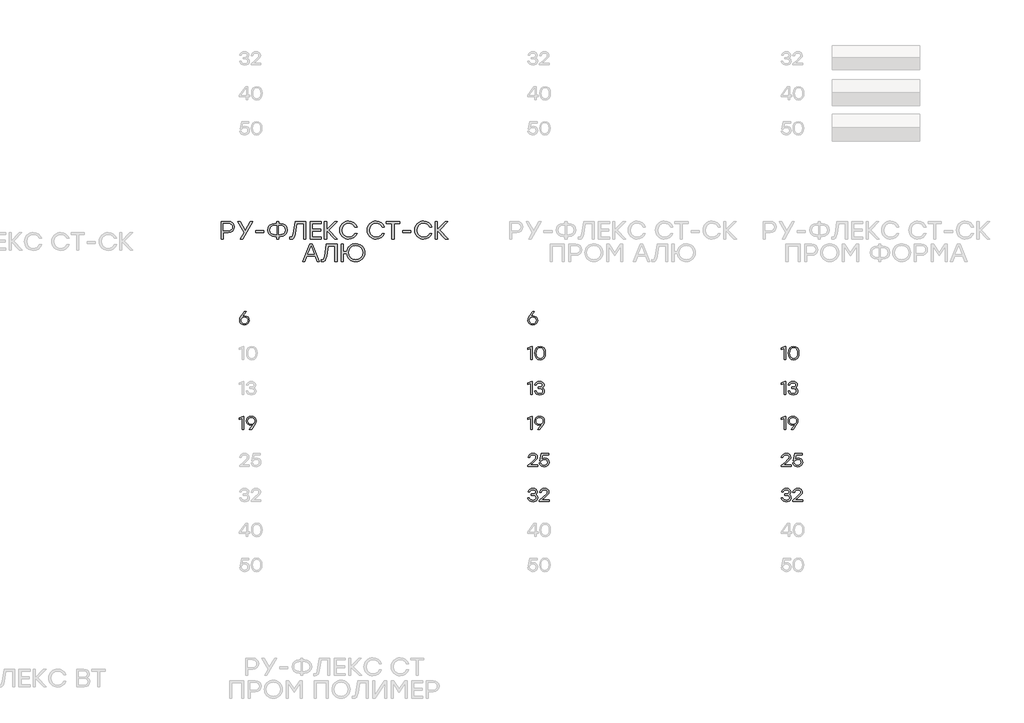
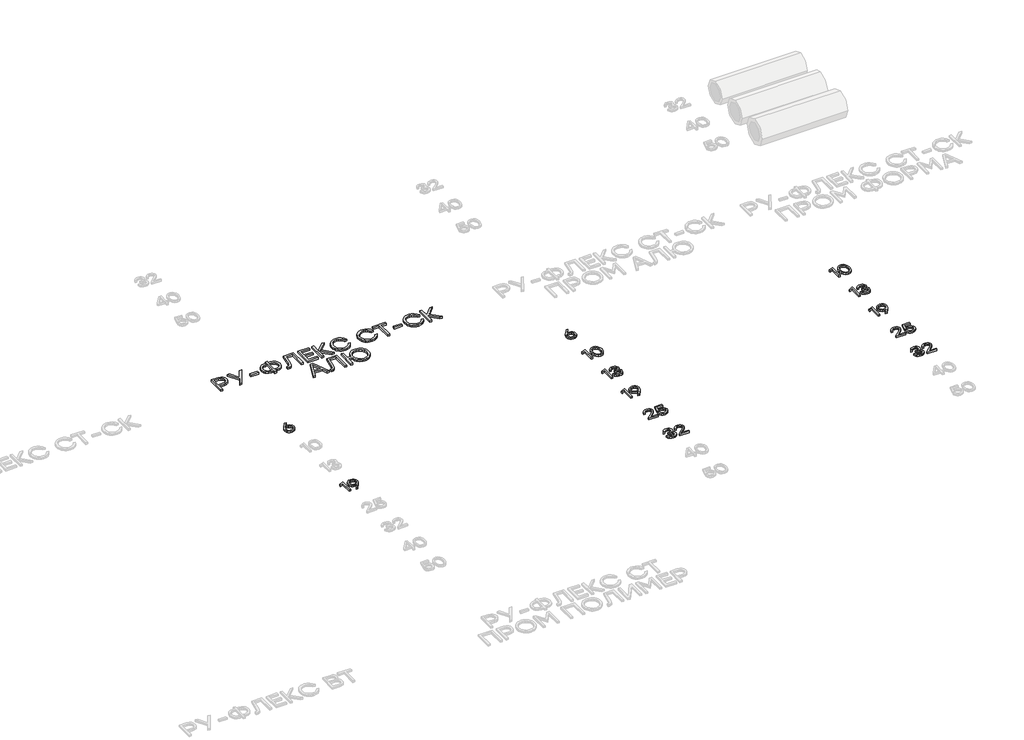
# One storey, part 22 of 41: 14 proxies.
"""IFC4 building model written with IfcOpenShell, lengths in millimetres."""

from ifc_helpers import new_model, si_unit, origin, origin_with_axes, place, context, project, spatial, polyline, outline, extrude, element, save

model = new_model("IFC4")

# Units and contexts
model_context = context("Model", 3, world=origin())
ifc_project = project(units=[si_unit("LENGTHUNIT", "METRE", prefix="MILLI")], contexts=[model_context])

# Site, building, storey
site = spatial("IfcSite", under=ifc_project)
building = spatial("IfcBuilding", under=site)
storey = spatial("IfcBuildingStorey", under=building, Elevation=0.0)

# Proxies
placement = place(None, origin())
element("IfcBuildingElementProxy", 1, Name="Generic Models", at=placement, inside=storey, context=model_context, shape_type="SweptSolid", body=[
    extrude(outline(polyline([(25599.0241406, -33646.0493279), (25618.6906803, -33649.3976823), (25635.2509151, -33659.4427456), (25646.5062271, -33675.2768314), (25650.2579977, -33695.9922531), (25646.2389638, -33717.5094645), (25634.1818622, -33734.5386707), (25616.1239447, -33745.6275734), (25594.102463, -33749.3238744), (25572.2625187, -33745.6578297), (25554.2651136, -33734.6596956), (25542.208012, -33717.4993791), (25538.1889781, -33695.3467872), (25540.8111834, -33677.5006631), (25548.6777992, -33659.5435997), (25590.4717173, -33599.9791981), (25592.8115312, -33596.9939183), (25613.627807, -33596.9939183), (25570.9463733, -33653.9966269), (25584.9449154, -33648.0361526), (25599.0241406, -33646.0493279)]), holes=[polyline([(25594.102463, -33732.4207357), (25609.2103996, -33729.8993845), (25621.5347644, -33722.3353308), (25629.7341987, -33710.7068589), (25632.4673434, -33695.9922531), (25629.7341987, -33681.1767932), (25621.5347644, -33669.7298586), (25609.2608266, -33662.4078547), (25594.3041711, -33659.9671867), (25578.9743556, -33662.4330682), (25566.7911865, -33669.8307127), (25558.833802, -33681.3532878), (25556.1813405, -33696.1939612), (25558.884229, -33711.0346345), (25566.9928946, -33722.5572097), (25579.1760637, -33729.9548542), (25594.102463, -33732.4207357)])]), origin_with_axes(), (0.0, 0.0, 1.0), 20.0),
])
element("IfcBuildingElementProxy", 2, Name="Generic Models", at=placement, inside=storey, context=model_context, shape_type="SweptSolid", body=[
    extrude(outline(polyline([(25580.1846042, -34796.9939183), (25588.3336114, -34796.9939183), (25588.3336114, -34946.9840604), (25570.5429571, -34946.9840604), (25570.5429571, -34817.7698524), (25536.0508722, -34831.6877112), (25536.0508722, -34814.1391067), (25580.1846042, -34796.9939183)])), origin_with_axes(), (0.0, 0.0, 1.0), 20.0),
    extrude(outline(polyline([(25671.760081, -34794.6137627), (25693.6302816, -34798.2596366), (25711.6377721, -34809.1972582), (25723.6948737, -34826.3474893), (25727.7139076, -34848.6311915), (25725.0866596, -34866.4722728), (25717.2049156, -34884.4142082), (25675.4311684, -34943.9987805), (25673.0510128, -34946.9840604), (25652.2750787, -34946.9840604), (25694.9161707, -34889.9813517), (25680.9377995, -34895.9418261), (25666.8384034, -34897.9286508), (25647.1769065, -34894.5802964), (25630.6317997, -34884.5352331), (25619.3916159, -34868.7011473), (25615.644888, -34847.9857256), (25619.6639218, -34826.438258), (25631.7210234, -34809.3989663), (25649.7688555, -34798.3100636), (25671.760081, -34794.6137627)]), holes=[polyline([(25671.5583729, -34883.9704504), (25686.9436581, -34881.5096116), (25699.2125532, -34874.1270952), (25707.2455782, -34862.6196482), (25709.9232533, -34847.7840175), (25707.1901085, -34832.9433442), (25698.9906743, -34821.420769), (25686.7217792, -34814.0231245), (25671.7802518, -34811.557243), (25656.8387244, -34814.0735515), (25644.5698293, -34821.6224771), (25636.3703951, -34833.2459063), (25633.6372504, -34847.9857256), (25636.3401389, -34862.7961427), (25644.4488044, -34874.2279492), (25656.6319736, -34881.5348251), (25671.5583729, -34883.9704504)])]), origin_with_axes(), (0.0, 0.0, 1.0), 20.0),
])
element("IfcBuildingElementProxy", 3, Name="Generic Models", at=placement, inside=storey, context=model_context, shape_type="SweptSolid", body=[
    extrude(outline(polyline([(28899.0241406, -33646.0493279), (28918.6906803, -33649.3976823), (28935.2509151, -33659.4427456), (28946.5062271, -33675.2768314), (28950.2579977, -33695.9922531), (28946.2389638, -33717.5094645), (28934.1818622, -33734.5386707), (28916.1239447, -33745.6275734), (28894.102463, -33749.3238744), (28872.2625187, -33745.6578297), (28854.2651136, -33734.6596956), (28842.208012, -33717.4993791), (28838.1889781, -33695.3467872), (28840.8111834, -33677.5006631), (28848.6777992, -33659.5435997), (28890.4717173, -33599.9791981), (28892.8115312, -33596.9939183), (28913.627807, -33596.9939183), (28870.9463733, -33653.9966269), (28884.9449154, -33648.0361526), (28899.0241406, -33646.0493279)]), holes=[polyline([(28894.102463, -33732.4207357), (28909.2103996, -33729.8993845), (28921.5347644, -33722.3353308), (28929.7341987, -33710.7068589), (28932.4673434, -33695.9922531), (28929.7341987, -33681.1767932), (28921.5347644, -33669.7298586), (28909.2608266, -33662.4078547), (28894.3041711, -33659.9671867), (28878.9743556, -33662.4330682), (28866.7911865, -33669.8307127), (28858.833802, -33681.3532878), (28856.1813405, -33696.1939612), (28858.884229, -33711.0346345), (28866.9928946, -33722.5572097), (28879.1760637, -33729.9548542), (28894.102463, -33732.4207357)])]), origin_with_axes(), (0.0, 0.0, 1.0), 20.0),
])
element("IfcBuildingElementProxy", 4, Name="Generic Models", at=placement, inside=storey, context=model_context, shape_type="SweptSolid", body=[
    extrude(outline(polyline([(28880.1846042, -33996.9939183), (28888.3336114, -33996.9939183), (28888.3336114, -34146.9840604), (28870.5429571, -34146.9840604), (28870.5429571, -34017.7698524), (28836.0508722, -34031.6877112), (28836.0508722, -34014.1391067), (28880.1846042, -33996.9939183)])), origin_with_axes(), (0.0, 0.0, 1.0), 20.0),
    extrude(outline(polyline([(28979.0619142, -33994.6137627), (29004.5679032, -33999.676636), (29023.639404, -34014.8652558), (29035.5300964, -34039.266893), (29039.4936605, -34071.9688185), (29035.5300964, -34104.670744), (29023.639404, -34129.0723813), (29004.5679032, -34144.2610011), (28979.0619142, -34149.3238744), (28953.7072062, -34144.2912573), (28934.6054492, -34129.1934061), (28922.6239882, -34104.8270678), (28918.6301678, -34071.9889893), (28922.6239882, -34039.1458682), (28934.6054492, -34014.7644018), (28953.7072062, -33999.6514225), (28979.0619142, -33994.6137627)]), holes=[polyline([(28947.8778421, -34117.7363861), (28961.3015161, -34128.7496483), (28979.0619142, -34132.4207357), (28996.8223123, -34128.7496483), (29010.2459862, -34117.7363861), (29018.6874701, -34098.9573621), (29021.5012981, -34071.9889893), (29018.6874701, -34045.0206166), (29010.2459862, -34026.2415926), (28996.8223123, -34015.2283304), (28979.0619142, -34011.557243), (28961.3015161, -34015.2283304), (28947.8778421, -34026.2415926), (28939.4363582, -34045.0206166), (28936.6225302, -34071.9889893), (28939.4363582, -34098.9573621), (28947.8778421, -34117.7363861)])]), origin_with_axes(), (0.0, 0.0, 1.0), 20.0),
])
element("IfcBuildingElementProxy", 5, Name="Generic Models", at=placement, inside=storey, context=model_context, shape_type="SweptSolid", body=[
    extrude(outline(polyline([(28880.1846042, -34396.9939183), (28888.3336114, -34396.9939183), (28888.3336114, -34546.9840604), (28870.5429571, -34546.9840604), (28870.5429571, -34417.7698524), (28836.0508722, -34431.6877112), (28836.0508722, -34414.1391067), (28880.1846042, -34396.9939183)])), origin_with_axes(), (0.0, 0.0, 1.0), 20.0),
    extrude(outline(polyline([(29001.3708299, -34467.9144858), (29012.5807575, -34473.3807752), (29020.9566862, -34481.6306365), (29026.1758833, -34492.2909095), (29027.9156157, -34504.9884343), (29024.2193147, -34523.2379745), (29013.130412, -34537.3222425), (28996.0406934, -34546.3234664), (28974.3419447, -34549.3238744), (28952.9558435, -34546.4344058), (28935.0290362, -34537.7660003), (28922.084419, -34523.5808783), (28915.644888, -34504.1412603), (28933.6372504, -34504.1412603), (28938.4984155, -34516.5135308), (28946.8693016, -34525.3508668), (28958.7499086, -34530.6532685), (28974.1402366, -34532.4207357), (28989.0515078, -34530.4893806), (29000.3824602, -34524.6953155), (29007.538055, -34515.5831522), (29009.9232533, -34503.6975024), (29007.9162577, -34492.9162046), (29001.8952709, -34484.5352331), (28991.5274747, -34479.1496268), (28976.4800505, -34477.3544248), (28955.7041163, -34477.3544248), (28955.7041163, -34461.7018763), (28971.3566648, -34461.7018763), (28986.0763133, -34460.2546207), (28996.5903479, -34455.9128539), (29002.8987687, -34448.6765758), (29005.0015756, -34438.5457866), (29002.7222741, -34427.4064568), (28995.8843696, -34418.8389054), (28985.2946944, -34413.3776586), (28971.760081, -34411.557243), (28958.9213605, -34413.0851818), (28948.6443329, -34417.6689984), (28940.9794251, -34425.7827067), (28935.9770643, -34437.9003207), (28917.9847019, -34437.9003207), (28924.6561973, -34418.6977097), (28936.5216762, -34405.2236087), (28952.6734522, -34397.2662242), (28972.2038388, -34394.6137627), (28992.2183249, -34397.5334874), (29008.5314674, -34406.2926616), (29019.3783204, -34419.6608659), (29022.993938, -34436.4076807), (29017.4267945, -34455.690975), (29010.6292316, -34462.9222103), (29001.3708299, -34467.9144858)])), origin_with_axes(), (0.0, 0.0, 1.0), 20.0),
])
element("IfcBuildingElementProxy", 6, Name="Generic Models", at=placement, inside=storey, context=model_context, shape_type="SweptSolid", body=[
    extrude(outline(polyline([(28880.1846042, -34796.9939183), (28888.3336114, -34796.9939183), (28888.3336114, -34946.9840604), (28870.5429571, -34946.9840604), (28870.5429571, -34817.7698524), (28836.0508722, -34831.6877112), (28836.0508722, -34814.1391067), (28880.1846042, -34796.9939183)])), origin_with_axes(), (0.0, 0.0, 1.0), 20.0),
    extrude(outline(polyline([(28971.760081, -34794.6137627), (28993.6302816, -34798.2596366), (29011.6377721, -34809.1972582), (29023.6948737, -34826.3474893), (29027.7139076, -34848.6311915), (29025.0866596, -34866.4722728), (29017.2049156, -34884.4142082), (28975.4311684, -34943.9987805), (28973.0510128, -34946.9840604), (28952.2750787, -34946.9840604), (28994.9161707, -34889.9813517), (28980.9377995, -34895.9418261), (28966.8384034, -34897.9286508), (28947.1769065, -34894.5802964), (28930.6317997, -34884.5352331), (28919.3916159, -34868.7011473), (28915.644888, -34847.9857256), (28919.6639218, -34826.438258), (28931.7210234, -34809.3989663), (28949.7688555, -34798.3100636), (28971.760081, -34794.6137627)]), holes=[polyline([(28971.5583729, -34883.9704504), (28986.9436581, -34881.5096116), (28999.2125532, -34874.1270952), (29007.2455782, -34862.6196482), (29009.9232533, -34847.7840175), (29007.1901085, -34832.9433442), (28998.9906743, -34821.420769), (28986.7217792, -34814.0231245), (28971.7802518, -34811.557243), (28956.8387244, -34814.0735515), (28944.5698293, -34821.6224771), (28936.3703951, -34833.2459063), (28933.6372504, -34847.9857256), (28936.3401389, -34862.7961427), (28944.4488044, -34874.2279492), (28956.6319736, -34881.5348251), (28971.5583729, -34883.9704504)])]), origin_with_axes(), (0.0, 0.0, 1.0), 20.0),
])
element("IfcBuildingElementProxy", 7, Name="Generic Models", at=placement, inside=storey, context=model_context, shape_type="SweptSolid", body=[
    extrude(outline(polyline([(28950.7017555, -35353.838872), (28950.7017555, -35370.9840604), (28838.1889781, -35370.9840604), (28838.1889781, -35358.1150837), (28881.6772442, -35320.1939612), (28920.3648575, -35284.2092364), (28926.7186626, -35274.2448563), (28928.8365976, -35263.6350103), (28926.5320826, -35252.3595276), (28919.6185375, -35243.3835172), (28908.847325, -35237.5138116), (28894.9698079, -35235.557243), (28881.0368209, -35237.6197083), (28870.0991993, -35243.8071042), (28862.222498, -35253.7462708), (28857.4722723, -35267.064048), (28839.4799099, -35267.064048), (28845.6773913, -35247.06469), (28857.8958593, -35231.6844475), (28874.9956634, -35221.8814339), (28895.8371527, -35218.6137627), (28916.3811225, -35221.7755372), (28932.5883682, -35231.2608605), (28943.117531, -35245.5165804), (28946.6272519, -35262.9895444), (28944.0806872, -35277.6285097), (28936.4409929, -35290.724408), (28896.2405689, -35328.9884343), (28867.5173356, -35353.838872), (28950.7017555, -35353.838872)])), origin_with_axes(), (0.0, 0.0, 1.0), 20.0),
    extrude(outline(polyline([(29031.7884111, -35271.9857256), (29051.6768297, -35275.3592936), (29068.0958689, -35285.4799974), (29079.1091311, -35301.1779302), (29082.7802185, -35321.2831849), (29078.8721241, -35341.9834785), (29067.1478408, -35358.6596956), (29049.5841081, -35369.6578297), (29028.1576654, -35373.3238744), (29007.2001939, -35370.2730394), (28989.3490272, -35361.1205344), (28976.3287694, -35346.3908005), (28969.8640249, -35326.6082787), (28987.8563873, -35326.6082787), (28993.0049865, -35339.3108462), (29001.996125, -35348.6953155), (29013.9927141, -35354.4893806), (29028.1576654, -35356.4207357), (29042.6453496, -35353.8993845), (29054.399889, -35346.3353308), (29062.1908643, -35335.0295918), (29064.7878561, -35321.2831849), (29062.2160778, -35307.3401126), (29054.500743, -35296.4125764), (29042.8218441, -35289.3477502), (29028.3593735, -35286.9928081), (29007.3615604, -35291.8640587), (28992.7780649, -35306.4778105), (28975.6328765, -35306.4778105), (28993.8672886, -35220.9939183), (29075.720435, -35220.9939183), (29075.720435, -35237.8970569), (29007.3413896, -35237.8970569), (28997.4980344, -35284.6126526), (29012.9287039, -35275.1424574), (29031.7884111, -35271.9857256)])), origin_with_axes(), (0.0, 0.0, 1.0), 20.0),
])
element("IfcBuildingElementProxy", 8, Name="Generic Models", at=placement, inside=storey, context=model_context, shape_type="SweptSolid", body=[
    extrude(outline(polyline([(28923.91492, -35691.9144858), (28935.1248476, -35697.3807752), (28943.5007764, -35705.6306365), (28948.7199734, -35716.2909095), (28950.4597058, -35728.9884343), (28946.7634049, -35747.2379745), (28935.6745022, -35761.3222425), (28918.5847835, -35770.3234664), (28896.8860348, -35773.3238744), (28875.4999336, -35770.4344058), (28857.5731264, -35761.7660003), (28844.6285091, -35747.5808783), (28838.1889781, -35728.1412603), (28856.1813405, -35728.1412603), (28861.0425057, -35740.5135308), (28869.4133918, -35749.3508668), (28881.2939988, -35754.6532685), (28896.6843267, -35756.4207357), (28911.5955979, -35754.4893806), (28922.9265503, -35748.6953155), (28930.0821451, -35739.5831522), (28932.4673434, -35727.6975024), (28930.4603478, -35716.9162046), (28924.4393611, -35708.5352331), (28914.0715648, -35703.1496268), (28899.0241406, -35701.3544248), (28878.2482065, -35701.3544248), (28878.2482065, -35685.7018763), (28893.9007549, -35685.7018763), (28908.6204034, -35684.2546207), (28919.1344381, -35679.9128539), (28925.4428589, -35672.6765758), (28927.5456658, -35662.5457866), (28925.2663643, -35651.4064568), (28918.4284597, -35642.8389054), (28907.8387845, -35637.3776586), (28894.3041711, -35635.557243), (28881.4654507, -35637.0851818), (28871.188423, -35641.6689984), (28863.5235153, -35649.7827067), (28858.5211544, -35661.9003207), (28840.528792, -35661.9003207), (28847.2002874, -35642.6977097), (28859.0657663, -35629.2236087), (28875.2175423, -35621.2662242), (28894.7479289, -35618.6137627), (28914.762415, -35621.5334874), (28931.0755575, -35630.2926616), (28941.9224105, -35643.6608659), (28945.5380282, -35660.4076807), (28939.9708847, -35679.690975), (28933.1733217, -35686.9222103), (28923.91492, -35691.9144858)])), origin_with_axes(), (0.0, 0.0, 1.0), 20.0),
    extrude(outline(polyline([(29082.3768023, -35753.838872), (29082.3768023, -35770.9840604), (28969.8640249, -35770.9840604), (28969.8640249, -35758.1150837), (29013.3522909, -35720.1939612), (29052.0399042, -35684.2092364), (29058.3937094, -35674.2448563), (29060.5116444, -35663.6350103), (29058.2071294, -35652.3595276), (29051.2935843, -35643.3835172), (29040.5223718, -35637.5138116), (29026.6448546, -35635.557243), (29012.7118677, -35637.6197083), (29001.7742461, -35643.8071042), (28993.8975448, -35653.7462708), (28989.1473191, -35667.064048), (28971.1549567, -35667.064048), (28977.352438, -35647.06469), (28989.5709061, -35631.6844475), (29006.6707102, -35621.8814339), (29027.5121995, -35618.6137627), (29048.0561693, -35621.7755372), (29064.263415, -35631.2608605), (29074.7925778, -35645.5165804), (29078.3022987, -35662.9895444), (29075.7557339, -35677.6285097), (29068.1160397, -35690.724408), (29027.9156157, -35728.9884343), (28999.1923824, -35753.838872), (29082.3768023, -35753.838872)])), origin_with_axes(), (0.0, 0.0, 1.0), 20.0),
])
element("IfcBuildingElementProxy", 9, Name="Generic Models", at=placement, inside=storey, context=model_context, shape_type="SweptSolid", body=[
    extrude(outline(polyline([(31780.1846042, -33996.9939183), (31788.3336114, -33996.9939183), (31788.3336114, -34146.9840604), (31770.5429571, -34146.9840604), (31770.5429571, -34017.7698524), (31736.0508722, -34031.6877112), (31736.0508722, -34014.1391067), (31780.1846042, -33996.9939183)])), origin_with_axes(), (0.0, 0.0, 1.0), 20.0),
    extrude(outline(polyline([(31879.0619142, -33994.6137627), (31904.5679032, -33999.676636), (31923.639404, -34014.8652558), (31935.5300964, -34039.266893), (31939.4936605, -34071.9688185), (31935.5300964, -34104.670744), (31923.639404, -34129.0723813), (31904.5679032, -34144.2610011), (31879.0619142, -34149.3238744), (31853.7072062, -34144.2912573), (31834.6054492, -34129.1934061), (31822.6239882, -34104.8270678), (31818.6301678, -34071.9889893), (31822.6239882, -34039.1458682), (31834.6054492, -34014.7644018), (31853.7072062, -33999.6514225), (31879.0619142, -33994.6137627)]), holes=[polyline([(31847.8778421, -34117.7363861), (31861.3015161, -34128.7496483), (31879.0619142, -34132.4207357), (31896.8223123, -34128.7496483), (31910.2459862, -34117.7363861), (31918.6874701, -34098.9573621), (31921.5012981, -34071.9889893), (31918.6874701, -34045.0206166), (31910.2459862, -34026.2415926), (31896.8223123, -34015.2283304), (31879.0619142, -34011.557243), (31861.3015161, -34015.2283304), (31847.8778421, -34026.2415926), (31839.4363582, -34045.0206166), (31836.6225302, -34071.9889893), (31839.4363582, -34098.9573621), (31847.8778421, -34117.7363861)])]), origin_with_axes(), (0.0, 0.0, 1.0), 20.0),
])
element("IfcBuildingElementProxy", 10, Name="Generic Models", at=placement, inside=storey, context=model_context, shape_type="SweptSolid", body=[
    extrude(outline(polyline([(31780.1846042, -34396.9939183), (31788.3336114, -34396.9939183), (31788.3336114, -34546.9840604), (31770.5429571, -34546.9840604), (31770.5429571, -34417.7698524), (31736.0508722, -34431.6877112), (31736.0508722, -34414.1391067), (31780.1846042, -34396.9939183)])), origin_with_axes(), (0.0, 0.0, 1.0), 20.0),
    extrude(outline(polyline([(31901.3708299, -34467.9144858), (31912.5807575, -34473.3807752), (31920.9566862, -34481.6306365), (31926.1758833, -34492.2909095), (31927.9156157, -34504.9884343), (31924.2193147, -34523.2379745), (31913.130412, -34537.3222425), (31896.0406934, -34546.3234664), (31874.3419447, -34549.3238744), (31852.9558435, -34546.4344058), (31835.0290362, -34537.7660003), (31822.084419, -34523.5808783), (31815.644888, -34504.1412603), (31833.6372504, -34504.1412603), (31838.4984155, -34516.5135308), (31846.8693016, -34525.3508668), (31858.7499086, -34530.6532685), (31874.1402366, -34532.4207357), (31889.0515078, -34530.4893806), (31900.3824602, -34524.6953155), (31907.538055, -34515.5831522), (31909.9232533, -34503.6975024), (31907.9162577, -34492.9162046), (31901.8952709, -34484.5352331), (31891.5274747, -34479.1496268), (31876.4800505, -34477.3544248), (31855.7041163, -34477.3544248), (31855.7041163, -34461.7018763), (31871.3566648, -34461.7018763), (31886.0763133, -34460.2546207), (31896.5903479, -34455.9128539), (31902.8987687, -34448.6765758), (31905.0015756, -34438.5457866), (31902.7222741, -34427.4064568), (31895.8843696, -34418.8389054), (31885.2946944, -34413.3776586), (31871.760081, -34411.557243), (31858.9213605, -34413.0851818), (31848.6443329, -34417.6689984), (31840.9794251, -34425.7827067), (31835.9770643, -34437.9003207), (31817.9847019, -34437.9003207), (31824.6561973, -34418.6977097), (31836.5216762, -34405.2236087), (31852.6734522, -34397.2662242), (31872.2038388, -34394.6137627), (31892.2183249, -34397.5334874), (31908.5314674, -34406.2926616), (31919.3783204, -34419.6608659), (31922.993938, -34436.4076807), (31917.4267945, -34455.690975), (31910.6292316, -34462.9222103), (31901.3708299, -34467.9144858)])), origin_with_axes(), (0.0, 0.0, 1.0), 20.0),
])
element("IfcBuildingElementProxy", 11, Name="Generic Models", at=placement, inside=storey, context=model_context, shape_type="SweptSolid", body=[
    extrude(outline(polyline([(31780.1846042, -34796.9939183), (31788.3336114, -34796.9939183), (31788.3336114, -34946.9840604), (31770.5429571, -34946.9840604), (31770.5429571, -34817.7698524), (31736.0508722, -34831.6877112), (31736.0508722, -34814.1391067), (31780.1846042, -34796.9939183)])), origin_with_axes(), (0.0, 0.0, 1.0), 20.0),
    extrude(outline(polyline([(31871.760081, -34794.6137627), (31893.6302816, -34798.2596366), (31911.6377721, -34809.1972582), (31923.6948737, -34826.3474893), (31927.7139076, -34848.6311915), (31925.0866596, -34866.4722728), (31917.2049156, -34884.4142082), (31875.4311684, -34943.9987805), (31873.0510128, -34946.9840604), (31852.2750787, -34946.9840604), (31894.9161707, -34889.9813517), (31880.9377995, -34895.9418261), (31866.8384034, -34897.9286508), (31847.1769065, -34894.5802964), (31830.6317997, -34884.5352331), (31819.3916159, -34868.7011473), (31815.644888, -34847.9857256), (31819.6639218, -34826.438258), (31831.7210234, -34809.3989663), (31849.7688555, -34798.3100636), (31871.760081, -34794.6137627)]), holes=[polyline([(31871.5583729, -34883.9704504), (31886.9436581, -34881.5096116), (31899.2125532, -34874.1270952), (31907.2455782, -34862.6196482), (31909.9232533, -34847.7840175), (31907.1901085, -34832.9433442), (31898.9906743, -34821.420769), (31886.7217792, -34814.0231245), (31871.7802518, -34811.557243), (31856.8387244, -34814.0735515), (31844.5698293, -34821.6224771), (31836.3703951, -34833.2459063), (31833.6372504, -34847.9857256), (31836.3401389, -34862.7961427), (31844.4488044, -34874.2279492), (31856.6319736, -34881.5348251), (31871.5583729, -34883.9704504)])]), origin_with_axes(), (0.0, 0.0, 1.0), 20.0),
])
element("IfcBuildingElementProxy", 12, Name="Generic Models", at=placement, inside=storey, context=model_context, shape_type="SweptSolid", body=[
    extrude(outline(polyline([(31850.7017555, -35353.838872), (31850.7017555, -35370.9840604), (31738.1889781, -35370.9840604), (31738.1889781, -35358.1150837), (31781.6772442, -35320.1939612), (31820.3648575, -35284.2092364), (31826.7186626, -35274.2448563), (31828.8365976, -35263.6350103), (31826.5320826, -35252.3595276), (31819.6185375, -35243.3835172), (31808.847325, -35237.5138116), (31794.9698079, -35235.557243), (31781.0368209, -35237.6197083), (31770.0991993, -35243.8071042), (31762.222498, -35253.7462708), (31757.4722723, -35267.064048), (31739.4799099, -35267.064048), (31745.6773913, -35247.06469), (31757.8958593, -35231.6844475), (31774.9956634, -35221.8814339), (31795.8371527, -35218.6137627), (31816.3811225, -35221.7755372), (31832.5883682, -35231.2608605), (31843.117531, -35245.5165804), (31846.6272519, -35262.9895444), (31844.0806872, -35277.6285097), (31836.4409929, -35290.724408), (31796.2405689, -35328.9884343), (31767.5173356, -35353.838872), (31850.7017555, -35353.838872)])), origin_with_axes(), (0.0, 0.0, 1.0), 20.0),
    extrude(outline(polyline([(31931.7884111, -35271.9857256), (31951.6768297, -35275.3592936), (31968.0958689, -35285.4799974), (31979.1091311, -35301.1779302), (31982.7802185, -35321.2831849), (31978.8721241, -35341.9834785), (31967.1478408, -35358.6596956), (31949.5841081, -35369.6578297), (31928.1576654, -35373.3238744), (31907.2001939, -35370.2730394), (31889.3490272, -35361.1205344), (31876.3287694, -35346.3908005), (31869.8640249, -35326.6082787), (31887.8563873, -35326.6082787), (31893.0049865, -35339.3108462), (31901.996125, -35348.6953155), (31913.9927141, -35354.4893806), (31928.1576654, -35356.4207357), (31942.6453496, -35353.8993845), (31954.399889, -35346.3353308), (31962.1908643, -35335.0295918), (31964.7878561, -35321.2831849), (31962.2160778, -35307.3401126), (31954.500743, -35296.4125764), (31942.8218441, -35289.3477502), (31928.3593735, -35286.9928081), (31907.3615604, -35291.8640587), (31892.7780649, -35306.4778105), (31875.6328765, -35306.4778105), (31893.8672886, -35220.9939183), (31975.720435, -35220.9939183), (31975.720435, -35237.8970569), (31907.3413896, -35237.8970569), (31897.4980344, -35284.6126526), (31912.9287039, -35275.1424574), (31931.7884111, -35271.9857256)])), origin_with_axes(), (0.0, 0.0, 1.0), 20.0),
])
element("IfcBuildingElementProxy", 13, Name="Generic Models", at=placement, inside=storey, context=model_context, shape_type="SweptSolid", body=[
    extrude(outline(polyline([(31823.91492, -35691.9144858), (31835.1248476, -35697.3807752), (31843.5007764, -35705.6306365), (31848.7199734, -35716.2909095), (31850.4597058, -35728.9884343), (31846.7634049, -35747.2379745), (31835.6745022, -35761.3222425), (31818.5847835, -35770.3234664), (31796.8860348, -35773.3238744), (31775.4999336, -35770.4344058), (31757.5731264, -35761.7660003), (31744.6285091, -35747.5808783), (31738.1889781, -35728.1412603), (31756.1813405, -35728.1412603), (31761.0425057, -35740.5135308), (31769.4133918, -35749.3508668), (31781.2939988, -35754.6532685), (31796.6843267, -35756.4207357), (31811.5955979, -35754.4893806), (31822.9265503, -35748.6953155), (31830.0821451, -35739.5831522), (31832.4673434, -35727.6975024), (31830.4603478, -35716.9162046), (31824.4393611, -35708.5352331), (31814.0715648, -35703.1496268), (31799.0241406, -35701.3544248), (31778.2482065, -35701.3544248), (31778.2482065, -35685.7018763), (31793.9007549, -35685.7018763), (31808.6204034, -35684.2546207), (31819.1344381, -35679.9128539), (31825.4428589, -35672.6765758), (31827.5456658, -35662.5457866), (31825.2663643, -35651.4064568), (31818.4284597, -35642.8389054), (31807.8387845, -35637.3776586), (31794.3041711, -35635.557243), (31781.4654507, -35637.0851818), (31771.188423, -35641.6689984), (31763.5235153, -35649.7827067), (31758.5211544, -35661.9003207), (31740.528792, -35661.9003207), (31747.2002874, -35642.6977097), (31759.0657663, -35629.2236087), (31775.2175423, -35621.2662242), (31794.7479289, -35618.6137627), (31814.762415, -35621.5334874), (31831.0755575, -35630.2926616), (31841.9224105, -35643.6608659), (31845.5380282, -35660.4076807), (31839.9708847, -35679.690975), (31833.1733217, -35686.9222103), (31823.91492, -35691.9144858)])), origin_with_axes(), (0.0, 0.0, 1.0), 20.0),
    extrude(outline(polyline([(31982.3768023, -35753.838872), (31982.3768023, -35770.9840604), (31869.8640249, -35770.9840604), (31869.8640249, -35758.1150837), (31913.3522909, -35720.1939612), (31952.0399042, -35684.2092364), (31958.3937094, -35674.2448563), (31960.5116444, -35663.6350103), (31958.2071294, -35652.3595276), (31951.2935843, -35643.3835172), (31940.5223718, -35637.5138116), (31926.6448546, -35635.557243), (31912.7118677, -35637.6197083), (31901.7742461, -35643.8071042), (31893.8975448, -35653.7462708), (31889.1473191, -35667.064048), (31871.1549567, -35667.064048), (31877.352438, -35647.06469), (31889.5709061, -35631.6844475), (31906.6707102, -35621.8814339), (31927.5121995, -35618.6137627), (31948.0561693, -35621.7755372), (31964.263415, -35631.2608605), (31974.7925778, -35645.5165804), (31978.3022987, -35662.9895444), (31975.7557339, -35677.6285097), (31968.1160397, -35690.724408), (31927.9156157, -35728.9884343), (31899.1923824, -35753.838872), (31982.3768023, -35753.838872)])), origin_with_axes(), (0.0, 0.0, 1.0), 20.0),
])
element("IfcBuildingElementProxy", 14, Name="Generic Models", at=placement, inside=storey, context=model_context, shape_type="SweptSolid", body=[
    extrude(outline(polyline([(25410.1380532, -32563.1559111), (25439.157125, -32567.6203837), (25461.0222829, -32581.0138015), (25474.7384336, -32601.4670027), (25479.3104838, -32627.1108256), (25474.6980919, -32653.1446175), (25460.8609164, -32674.0146821), (25438.9554169, -32687.7308328), (25410.1380532, -32692.3028831), (25353.5522079, -32692.3028831), (25353.5522079, -32763.1427673), (25329.8313355, -32763.1427673), (25329.8313355, -32563.1559111), (25410.1380532, -32563.1559111)]), holes=[polyline([(25409.277432, -32669.711576), (25429.1456797, -32666.712849), (25443.5678087, -32657.7166678), (25452.342111, -32644.1484363), (25455.2668784, -32627.4335586), (25452.342111, -32610.7859168), (25443.5678087, -32597.4193935), (25429.1456797, -32588.6249204), (25409.277432, -32585.6934293), (25353.5522079, -32585.6934293), (25353.5522079, -32669.711576), (25409.277432, -32669.711576)])]), origin_with_axes(), (0.0, 0.0, 1.0), 20.0),
    extrude(outline(polyline([(25688.3338628, -32563.1559111), (25575.2159611, -32763.1427673), (25548.3753368, -32763.1427673), (25589.792733, -32690.5816406), (25516.9088734, -32563.1559111), (25543.8032865, -32563.1559111), (25602.9172066, -32665.1395258), (25661.7621826, -32563.1559111), (25688.3338628, -32563.1559111)])), origin_with_axes(), (0.0, 0.0, 1.0), 20.0),
    extrude(outline(polyline([(25814.8989711, -32665.7312029), (25814.8989711, -32688.2687211), (25722.2746122, -32688.2687211), (25722.2746122, -32665.7312029), (25814.8989711, -32665.7312029)])), origin_with_axes(), (0.0, 0.0, 1.0), 20.0),
    extrude(outline(polyline([(26005.4727826, -32585.6934293), (26037.1207833, -32590.8033678), (26062.8923547, -32606.1331833), (26072.8819483, -32617.2355333), (26080.0173723, -32630.1028291), (26085.7257115, -32661.1322582), (26080.0509903, -32692.1616874), (26072.9575888, -32705.0289832), (26063.0268268, -32716.1313331), (26037.2888734, -32731.4611486), (26005.4727826, -32736.5710871), (25985.7322834, -32736.5710871), (25985.7322834, -32763.1427673), (25962.011411, -32763.1427673), (25962.011411, -32736.5710871), (25942.0557564, -32736.5710871), (25910.1993241, -32731.4611486), (25884.4479235, -32716.1313331), (25874.5171614, -32705.0289832), (25867.4237599, -32692.1616874), (25861.7490388, -32661.1322582), (25867.4641016, -32630.1028291), (25874.6079301, -32617.2355333), (25884.6092899, -32606.1331833), (25910.4010322, -32590.8033678), (25942.0557564, -32585.6934293), (25962.011411, -32585.6934293), (25962.011411, -32563.1559111), (25985.7322834, -32563.1559111), (25985.7322834, -32585.6934293), (26005.4727826, -32585.6934293)]), holes=[polyline([(26005.4727826, -32713.9797801), (26028.0775369, -32710.5171244), (26046.1909241, -32700.1291573), (26058.091702, -32683.4546211), (26062.0586279, -32661.1322582), (26058.091702, -32638.8098953), (26046.1909241, -32622.1353592), (26028.0775369, -32611.7473921), (26005.4727826, -32608.2847364), (25985.7322834, -32608.2847364), (25985.7322834, -32713.9797801), (26005.4727826, -32713.9797801)]), polyline([(25942.0557564, -32713.9797801), (25962.011411, -32713.9797801), (25962.011411, -32608.2847364), (25942.0557564, -32608.2847364), (25919.6527103, -32611.7473921), (25901.6065591, -32622.1353592), (25889.7057812, -32638.8098953), (25885.7388553, -32661.1322582), (25889.6654396, -32683.4546211), (25901.4451926, -32700.1291573), (25919.4510022, -32710.5171244), (25942.0557564, -32713.9797801)])]), origin_with_axes(), (0.0, 0.0, 1.0), 20.0),
    extrude(outline(polyline([(26175.3916849, -32563.1559111), (26295.6635005, -32563.1559111), (26295.6635005, -32763.1427673), (26271.9426281, -32763.1427673), (26271.9426281, -32585.6934293), (26195.3473395, -32585.6934293), (26176.2523061, -32701.9848718), (26169.1521811, -32732.0057605), (26159.3626147, -32751.7126417), (26146.1574578, -32762.6250498), (26128.8105613, -32766.2625192), (26113.1042241, -32765.401898), (26113.1042241, -32743.725001), (26124.2385111, -32744.2628893), (26134.9357639, -32741.9768642), (26142.4998176, -32735.1187888), (26152.8003779, -32700.5863623), (26175.3916849, -32563.1559111)])), origin_with_axes(), (0.0, 0.0, 1.0), 20.0),
    extrude(outline(polyline([(26472.2522172, -32585.6934293), (26369.0852484, -32585.6934293), (26369.0852484, -32649.1642444), (26465.3672475, -32649.1642444), (26465.3672475, -32671.7017626), (26369.0852484, -32671.7017626), (26369.0852484, -32740.5514603), (26472.2522172, -32740.5514603), (26472.2522172, -32763.1427673), (26345.364376, -32763.1427673), (26345.364376, -32563.1559111), (26472.2522172, -32563.1559111), (26472.2522172, -32585.6934293)])), origin_with_axes(), (0.0, 0.0, 1.0), 20.0),
    extrude(outline(polyline([(26658.8994445, -32763.1427673), (26628.3473912, -32763.1427673), (26534.3245228, -32666.000147), (26534.3245228, -32763.1427673), (26510.6036504, -32763.1427673), (26510.6036504, -32563.1559111), (26534.3245228, -32563.1559111), (26534.3245228, -32656.8560465), (26625.2276392, -32563.1559111), (26655.5107484, -32563.1559111), (26560.896203, -32661.1591526), (26658.8994445, -32763.1427673)])), origin_with_axes(), (0.0, 0.0, 1.0), 20.0),
    extrude(outline(polyline([(26787.9388388, -32766.2625192), (26766.7409985, -32764.4236137), (26747.4156818, -32758.9068972), (26729.9628885, -32749.7123697), (26714.3826188, -32736.8400312), (26701.5691119, -32721.1992491), (26692.4166069, -32703.6993906), (26686.9251039, -32684.3404559), (26685.0946029, -32663.1224448), (26686.9251039, -32641.9044337), (26692.4166069, -32622.545499), (26701.5691119, -32605.0456405), (26714.3826188, -32589.4048584), (26729.9628885, -32576.5325199), (26747.4156818, -32567.3379924), (26766.7409985, -32561.8212759), (26787.9388388, -32559.9823704), (26819.4187494, -32564.5208026), (26846.9451812, -32578.1360993), (26868.6893143, -32599.3894092), (26882.8223284, -32626.8418815), (26857.3802135, -32626.8418815), (26845.9164699, -32608.6343638), (26829.8134401, -32594.5685857), (26810.0662172, -32585.5724045), (26787.6698946, -32582.5736774), (26756.7682139, -32588.3223582), (26731.51436, -32605.5684007), (26714.6919046, -32631.4609969), (26709.0844194, -32663.1493392), (26714.6919046, -32694.8376815), (26731.51436, -32720.7302778), (26756.7682139, -32737.9763202), (26787.6698946, -32743.725001), (26810.0662172, -32740.7262739), (26829.8134401, -32731.7300927), (26845.9164699, -32717.6508675), (26857.3802135, -32699.4030081), (26882.8223284, -32699.4030081), (26868.6893143, -32726.8890984), (26846.9451812, -32748.1356848), (26819.4187494, -32761.7308106), (26787.9388388, -32766.2625192)])), origin_with_axes(), (0.0, 0.0, 1.0), 20.0),
    extrude(outline(polyline([(27101.2049631, -32766.2625192), (27080.0071229, -32764.4236137), (27060.6818061, -32758.9068972), (27043.2290129, -32749.7123697), (27027.6487432, -32736.8400312), (27014.8352362, -32721.1992491), (27005.6827312, -32703.6993906), (27000.1912282, -32684.3404559), (26998.3607273, -32663.1224448), (27000.1912282, -32641.9044337), (27005.6827312, -32622.545499), (27014.8352362, -32605.0456405), (27027.6487432, -32589.4048584), (27043.2290129, -32576.5325199), (27060.6818061, -32567.3379924), (27080.0071229, -32561.8212759), (27101.2049631, -32559.9823704), (27132.6848737, -32564.5208026), (27160.2113056, -32578.1360993), (27181.9554386, -32599.3894092), (27196.0884527, -32626.8418815), (27170.6463379, -32626.8418815), (27159.1825943, -32608.6343638), (27143.0795644, -32594.5685857), (27123.3323416, -32585.5724045), (27100.936019, -32582.5736774), (27070.0343383, -32588.3223582), (27044.7804843, -32605.5684007), (27027.9580289, -32631.4609969), (27022.3505438, -32663.1493392), (27027.9580289, -32694.8376815), (27044.7804843, -32720.7302778), (27070.0343383, -32737.9763202), (27100.936019, -32743.725001), (27123.3323416, -32740.7262739), (27143.0795644, -32731.7300927), (27159.1825943, -32717.6508675), (27170.6463379, -32699.4030081), (27196.0884527, -32699.4030081), (27181.9554386, -32726.8890984), (27160.2113056, -32748.1356848), (27132.6848737, -32761.7308106), (27101.2049631, -32766.2625192)])), origin_with_axes(), (0.0, 0.0, 1.0), 20.0),
    extrude(outline(polyline([(27371.0097158, -32563.1559111), (27371.0097158, -32585.6934293), (27306.4093355, -32585.6934293), (27306.4093355, -32763.1427673), (27282.4195189, -32763.1427673), (27282.4195189, -32585.6934293), (27218.1418715, -32585.6934293), (27218.1418715, -32563.1559111), (27371.0097158, -32563.1559111)])), origin_with_axes(), (0.0, 0.0, 1.0), 20.0),
    extrude(outline(polyline([(27498.2740789, -32665.7312029), (27498.2740789, -32688.2687211), (27405.64972, -32688.2687211), (27405.64972, -32665.7312029), (27498.2740789, -32665.7312029)])), origin_with_axes(), (0.0, 0.0, 1.0), 20.0),
    extrude(outline(polyline([(27645.1175747, -32766.2625192), (27623.9197344, -32764.4236137), (27604.5944176, -32758.9068972), (27587.1416244, -32749.7123697), (27571.5613547, -32736.8400312), (27558.7478477, -32721.1992491), (27549.5953428, -32703.6993906), (27544.1038398, -32684.3404559), (27542.2733388, -32663.1224448), (27544.1038398, -32641.9044337), (27549.5953428, -32622.545499), (27558.7478477, -32605.0456405), (27571.5613547, -32589.4048584), (27587.1416244, -32576.5325199), (27604.5944176, -32567.3379924), (27623.9197344, -32561.8212759), (27645.1175747, -32559.9823704), (27676.5974852, -32564.5208026), (27704.1239171, -32578.1360993), (27725.8680501, -32599.3894092), (27740.0010642, -32626.8418815), (27714.5589494, -32626.8418815), (27703.0952058, -32608.6343638), (27686.9921759, -32594.5685857), (27667.2449531, -32585.5724045), (27644.8486305, -32582.5736774), (27613.9469498, -32588.3223582), (27588.6930959, -32605.5684007), (27571.8706404, -32631.4609969), (27566.2631553, -32663.1493392), (27571.8706404, -32694.8376815), (27588.6930959, -32720.7302778), (27613.9469498, -32737.9763202), (27644.8486305, -32743.725001), (27667.2449531, -32740.7262739), (27686.9921759, -32731.7300927), (27703.0952058, -32717.6508675), (27714.5589494, -32699.4030081), (27740.0010642, -32699.4030081), (27725.8680501, -32726.8890984), (27704.1239171, -32748.1356848), (27676.5974852, -32761.7308106), (27645.1175747, -32766.2625192)])), origin_with_axes(), (0.0, 0.0, 1.0), 20.0),
    extrude(outline(polyline([(27925.7338814, -32763.1427673), (27895.1818281, -32763.1427673), (27801.1589597, -32666.000147), (27801.1589597, -32763.1427673), (27777.4380873, -32763.1427673), (27777.4380873, -32563.1559111), (27801.1589597, -32563.1559111), (27801.1589597, -32656.8560465), (27892.0620762, -32563.1559111), (27922.3451854, -32563.1559111), (27827.7306399, -32661.1591526), (27925.7338814, -32763.1427673)])), origin_with_axes(), (0.0, 0.0, 1.0), 20.0),
    extrude(outline(polyline([(26426.5317149, -33021.6650103), (26402.8108425, -32961.6366802), (26309.9713283, -32961.6366802), (26286.2504559, -33021.6650103), (26261.131074, -33021.6650103), (26341.1150587, -32821.6781541), (26371.6671121, -32821.6781541), (26451.7048856, -33021.6650103), (26426.5317149, -33021.6650103)]), holes=[polyline([(26319.1154288, -32939.0991619), (26393.989475, -32939.0991619), (26356.5524519, -32844.2156724), (26319.1154288, -32939.0991619)])]), origin_with_axes(), (0.0, 0.0, 1.0), 20.0),
    extrude(outline(polyline([(26533.4101127, -32821.6781541), (26653.6819283, -32821.6781541), (26653.6819283, -33021.6650103), (26629.9610559, -33021.6650103), (26629.9610559, -32844.2156724), (26553.3657673, -32844.2156724), (26534.270734, -32960.5071148), (26527.1706089, -32990.5280035), (26517.3810425, -33010.2348847), (26504.1758856, -33021.1472929), (26486.8289892, -33024.7847622), (26471.1226519, -33023.924141), (26471.1226519, -33002.247244), (26482.2569389, -33002.7851323), (26492.9541918, -33000.4991072), (26500.5182455, -32993.6410318), (26510.8188057, -32959.1086053), (26533.4101127, -32821.6781541)])), origin_with_axes(), (0.0, 0.0, 1.0), 20.0),
    extrude(outline(polyline([(26867.7076682, -32818.5046134), (26888.6953958, -32820.3536043), (26907.928263, -32825.900577), (26925.4062698, -32835.1455315), (26941.1294161, -32848.0884679), (26954.1194176, -32863.7813579), (26963.3979902, -32881.2761737), (26968.9651337, -32900.5729151), (26970.8208482, -32921.6715822), (26968.9651337, -32942.7685684), (26963.3979902, -32962.0602672), (26954.1194176, -32979.5466784), (26941.1294161, -32995.2278022), (26925.4062698, -33008.1589722), (26907.928263, -33017.3955222), (26888.6953958, -33022.9374522), (26867.7076682, -33024.7847622), (26848.1503871, -33023.1694165), (26830.035319, -33018.3233795), (26813.3624637, -33010.246651), (26798.1318214, -32998.9392312), (26785.1872041, -32985.1508018), (26775.3724242, -32969.6310445), (26768.6874817, -32952.3799593), (26765.1323764, -32933.3975464), (26727.1036762, -32933.3975464), (26727.1036762, -33021.6650103), (26703.3828038, -33021.6650103), (26703.3828038, -32821.6781541), (26727.1036762, -32821.6781541), (26727.1036762, -32910.5372952), (26764.8634323, -32910.5372952), (26768.4168566, -32891.4036011), (26775.0967565, -32874.0214057), (26784.9031319, -32858.390709), (26797.8359828, -32844.5115109), (26813.0750297, -32833.1334932), (26829.7999928, -32825.0063378), (26848.0108723, -32820.1300445), (26867.7076682, -32818.5046134)]), holes=[polyline([(26811.2294006, -32979.2794152), (26836.7253042, -32996.5052868), (26867.7076682, -33002.247244), (26898.6765849, -32996.4985632), (26924.132147, -32979.2525208), (26941.1563105, -32953.3599245), (26946.8310317, -32921.6715822), (26941.1563105, -32889.9832399), (26924.132147, -32864.0906437), (26898.6765849, -32846.8446012), (26867.7076682, -32841.0959204), (26836.7320278, -32846.8446012), (26811.256295, -32864.0906437), (26794.1447246, -32889.9832399), (26788.2615717, -32921.6715822), (26794.138001, -32953.3666481), (26811.2294006, -32979.2794152)])]), origin_with_axes(), (0.0, 0.0, 1.0), 20.0),
])

save(model, "model.ifc")
